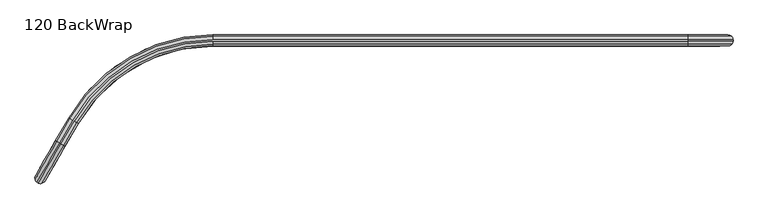
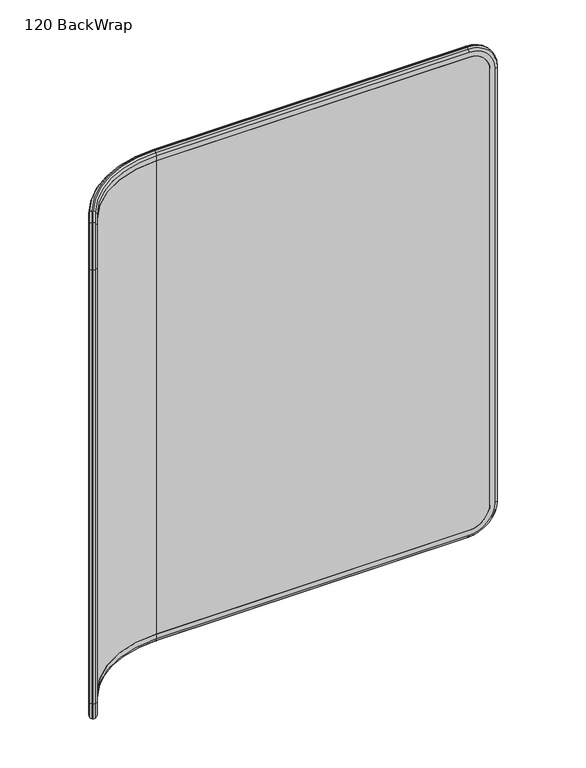
"""IFC4 building model written with IfcOpenShell, lengths in millimetres: furniture geometry, 120 BackWrap."""

from ifc_helpers import new_model, si_unit, point, frame, origin, place, context, project, spatial, polyline, circle_curve, ellipse_curve, trimmed, source, transform, mapped, element, save
from ifc_brep_helpers import plane_surface, cylinder_surface, revolved_surface, advanced_brep


def furniture_120_backwrap_9426e977(model_context):
    return source(origin(), model_context, "Body", "AdvancedBrep", [
        advanced_brep(
        [(1336.9030635, -19.0134443, 1436.2125677), (1253.5370658, -19.0134443, 1519.5785655), (1253.5370658, -21.9662095, 1512.0100357), (1329.3345337, -21.9662095, 1436.2125677), (1339.8970658, -12.8318012, 1436.2125677), (1253.5370658, -12.8318012, 1522.5725677), (1339.8970658, -10.0186178, 1436.2125677), (1253.5370658, -10.0186178, 1522.5725677), (1336.9030635, -3.8369747, 1436.2125677), (1253.5370658, -3.8369747, 1519.5785655), (1329.3345337, -0.8842095, 1436.2125677), (1253.5370658, -0.8842095, 1512.0100357), (1314.4970658, -21.9662095, 1436.2125677), (1253.5370658, -21.9662095, 1497.1725677), (1253.5370658, -0.8842095, 1497.1725677), (1314.4970658, -0.8842095, 1436.2125677), (1329.3345337, -21.9662095, 98.7747521), (1336.9030635, -19.0134443, 98.7747521), (1339.8970658, -12.8318012, 98.7747521), (1339.8970658, -10.0186178, 98.7747521), (1336.9030635, -3.8369747, 98.7747521), (1329.3345337, -0.8842095, 98.7747521), (1314.4970658, -0.8842095, 98.7747521), (1314.4970658, -21.9662095, 98.7747521), (1253.5370658, -19.0134443, 15.4087544), (1253.5370658, -21.9662095, 22.9772842), (1253.5370658, -12.8318012, 12.4147521), (1253.5370658, -10.0186178, 12.4147521), (1253.5370658, -3.8369747, 15.4087544), (1253.5370658, -0.8842095, 22.9772842), (1253.5370658, -21.9662095, 37.8147521), (1253.5370658, -0.8842095, 37.8147521), (341.1823889, -21.9662095, 22.9772842), (341.1823889, -19.0134443, 15.4087544), (341.1823889, -12.8318012, 12.4147521), (74.8064775, -166.6240054, 12.4147521), (49.477931, -210.4943349, 12.4147521), (47.0416427, -209.0877432, 12.4147521), (72.3701892, -165.2174137, 12.4147521), (341.1823889, -10.0186178, 12.4147521), (341.1823889, -3.8369747, 15.4087544), (341.1823889, -0.8842095, 22.9772842), (341.1823889, -0.8842095, 37.8147521), (64.4595596, -160.6502095, 37.8147521), (39.1310131, -204.520539, 37.8147521), (57.3885606, -215.061539, 37.8147521), (82.7171072, -171.1912095, 37.8147521), (341.1823889, -21.9662095, 37.8147521), (80.1599375, -169.7148269, 15.4087544), (82.7171072, -171.1912095, 22.9772842), (67.0167293, -162.1265921, 15.4087544), (64.4595596, -160.6502095, 22.9772842), (57.3885606, -215.061539, 22.9772842), (54.831391, -213.5851564, 15.4087544), (41.6881827, -205.9969216, 15.4087544), (39.1310131, -204.520539, 22.9772842), (1.2322791, -270.1630718, 98.7747521), (1.2322791, -270.1630718, 1436.2125677), (39.1310131, -204.520539, 1512.0100357), (64.4595596, -160.6502095, 1512.0100357), (64.4595596, -160.6502095, 1497.1725677), (39.1310131, -204.520539, 1497.1725677), (8.6510131, -257.3134476, 1436.2125677), (8.6510131, -257.3134476, 98.7747521), (26.9085606, -267.8544476, 98.7747521), (26.9085606, -267.8544476, 1436.2125677), (57.3885606, -215.061539, 1497.1725677), (82.7171072, -171.1912095, 1497.1725677), (82.7171072, -171.1912095, 1512.0100357), (57.3885606, -215.061539, 1512.0100357), (19.4898267, -280.7040718, 1436.2125677), (19.4898267, -280.7040718, 98.7747521), (13.1483921, -285.7822283, 98.7747521), (6.297931, -285.2842888, 98.7747521), (3.8616427, -283.877697, 98.7747521), (0.0051838, -278.1939935, 98.7747521), (13.1483921, -285.7822283, 1436.2125677), (6.297931, -285.2842888, 1436.2125677), (3.8616427, -283.877697, 1436.2125677), (0.0051838, -278.1939935, 1436.2125677), (54.831391, -213.5851564, 1519.5785655), (49.477931, -210.4943349, 1522.5725677), (47.0416427, -209.0877432, 1522.5725677), (41.6881827, -205.9969216, 1519.5785655), (80.1599375, -169.7148269, 1519.5785655), (74.8064775, -166.6240054, 1522.5725677), (341.1823889, -12.8318012, 1522.5725677), (341.1823889, -10.0186178, 1522.5725677), (72.3701892, -165.2174137, 1522.5725677), (67.0167293, -162.1265921, 1519.5785655), (341.1823889, -0.8842095, 1497.1725677), (341.1823889, -21.9662095, 1497.1725677), (341.1823889, -19.0134443, 1519.5785655), (341.1823889, -21.9662095, 1512.0100357), (341.1823889, -3.8369747, 1519.5785655), (341.1823889, -0.8842095, 1512.0100357)],
        [
            (0, 1, circle_curve(frame((1253.5370658, -19.0134443, 1436.2125677), z_axis=(0.0, -1.0, 0.0), x_axis=(0.0, 0.0, 1.0)), 83.3659977)),
            (1, 2, circle_curve(frame((1253.5370658, -10.7899964, 1512.0100357), z_axis=(1.0, 0.0, 0.0), x_axis=(0.0, 1.0, 0.0)), 11.1762131)),
            (2, 3, circle_curve(frame((1253.5370658, -21.9662095, 1436.2125677), z_axis=(0.0, 1.0, 0.0), x_axis=(0.0, 0.0, 1.0)), 75.7974679)),
            (3, 0, circle_curve(frame((1329.3345337, -10.7899964, 1436.2125677), z_axis=(0.0, 0.0, 1.0), x_axis=(0.0, 1.0, 0.0)), 11.1762131)),
            (4, 5, circle_curve(frame((1253.5370658, -12.8318012, 1436.2125677), z_axis=(0.0, -1.0, 0.0), x_axis=(0.0, 0.0, 1.0)), 86.36)),
            (5, 1, circle_curve(frame((1253.5370658, -12.1285054, 1513.2419454), z_axis=(1.0, 0.0, 0.0), x_axis=(0.0, 1.0, 0.0)), 9.3570903)),
            (0, 4, circle_curve(frame((1330.5664434, -12.1285054, 1436.2125677), z_axis=(0.0, 0.0, 1.0), x_axis=(0.0, 1.0, 0.0)), 9.3570903)),
            (6, 7, circle_curve(frame((1253.5370658, -10.0186178, 1436.2125677), z_axis=(0.0, -1.0, 0.0), x_axis=(0.0, 0.0, 1.0)), 86.36)),
            (7, 5),
            (4, 6),
            (8, 9, circle_curve(frame((1253.5370658, -3.8369747, 1436.2125677), z_axis=(0.0, -1.0, 0.0), x_axis=(0.0, 0.0, 1.0)), 83.3659977)),
            (9, 7, circle_curve(frame((1253.5370658, -10.7219137, 1513.2419454), z_axis=(1.0, 0.0, 0.0), x_axis=(0.0, -1.0, 0.0)), 9.3570903)),
            (6, 8, circle_curve(frame((1330.5664434, -10.7219137, 1436.2125677), z_axis=(0.0, 0.0, 1.0), x_axis=(0.0, -1.0, 0.0)), 9.3570903)),
            (10, 11, circle_curve(frame((1253.5370658, -0.8842095, 1436.2125677), z_axis=(0.0, -1.0, 0.0), x_axis=(0.0, 0.0, 1.0)), 75.7974679)),
            (11, 9, circle_curve(frame((1253.5370658, -12.0604226, 1512.0100357), z_axis=(1.0, 0.0, 0.0), x_axis=(0.0, -1.0, 0.0)), 11.1762131)),
            (8, 10, circle_curve(frame((1329.3345337, -12.0604226, 1436.2125677), z_axis=(0.0, 0.0, 1.0), x_axis=(0.0, -1.0, 0.0)), 11.1762131)),
            (12, 13, circle_curve(frame((1253.5370658, -21.9662095, 1436.2125677), z_axis=(0.0, -1.0, 0.0), x_axis=(0.0, 0.0, 1.0)), 60.96)),
            (13, 14),
            (14, 15, circle_curve(frame((1253.5370658, -0.8842095, 1436.2125677), z_axis=(0.0, 1.0, 0.0), x_axis=(0.0, 0.0, 1.0)), 60.96)),
            (15, 12),
            (3, 16),
            (16, 17, circle_curve(frame((1329.3345337, -10.7899964, 98.7747521), z_axis=(0.0, 0.0, 1.0), x_axis=(0.0, 1.0, 0.0)), 11.1762131)),
            (17, 0),
            (17, 18, circle_curve(frame((1330.5664434, -12.1285054, 98.7747521), z_axis=(0.0, 0.0, 1.0), x_axis=(0.0, 1.0, 0.0)), 9.3570903)),
            (18, 4),
            (18, 19),
            (19, 6),
            (19, 20, circle_curve(frame((1330.5664434, -10.7219137, 98.7747521), z_axis=(0.0, 0.0, 1.0), x_axis=(0.0, -1.0, 0.0)), 9.3570903)),
            (20, 8),
            (20, 21, circle_curve(frame((1329.3345337, -12.0604226, 98.7747521), z_axis=(0.0, 0.0, 1.0), x_axis=(0.0, -1.0, 0.0)), 11.1762131)),
            (21, 10),
            (15, 22),
            (22, 23),
            (23, 12),
            (24, 17, circle_curve(frame((1253.5370658, -19.0134443, 98.7747521), z_axis=(0.0, -1.0, 0.0), x_axis=(1.0, 0.0, 0.0)), 83.3659977)),
            (16, 25, circle_curve(frame((1253.5370658, -21.9662095, 98.7747521), z_axis=(0.0, 1.0, 0.0), x_axis=(1.0, 0.0, 0.0)), 75.7974679)),
            (25, 24, circle_curve(frame((1253.5370658, -10.7899964, 22.9772842), z_axis=(1.0, 0.0, 0.0), x_axis=(0.0, 1.0, 0.0)), 11.1762131)),
            (26, 18, circle_curve(frame((1253.5370658, -12.8318012, 98.7747521), z_axis=(0.0, -1.0, 0.0), x_axis=(1.0, 0.0, 0.0)), 86.36)),
            (24, 26, circle_curve(frame((1253.5370658, -12.1285054, 21.7453745), z_axis=(1.0, 0.0, 0.0), x_axis=(0.0, 1.0, 0.0)), 9.3570903)),
            (27, 19, circle_curve(frame((1253.5370658, -10.0186178, 98.7747521), z_axis=(0.0, -1.0, 0.0), x_axis=(1.0, 0.0, 0.0)), 86.36)),
            (26, 27),
            (28, 20, circle_curve(frame((1253.5370658, -3.8369747, 98.7747521), z_axis=(0.0, -1.0, 0.0), x_axis=(1.0, 0.0, 0.0)), 83.3659977)),
            (27, 28, circle_curve(frame((1253.5370658, -10.7219137, 21.7453745), z_axis=(1.0, 0.0, 0.0), x_axis=(0.0, -1.0, 0.0)), 9.3570903)),
            (29, 21, circle_curve(frame((1253.5370658, -0.8842095, 98.7747521), z_axis=(0.0, -1.0, 0.0), x_axis=(1.0, 0.0, 0.0)), 75.7974679)),
            (28, 29, circle_curve(frame((1253.5370658, -12.0604226, 22.9772842), z_axis=(1.0, 0.0, 0.0), x_axis=(0.0, -1.0, 0.0)), 11.1762131)),
            (30, 23, circle_curve(frame((1253.5370658, -21.9662095, 98.7747521), z_axis=(0.0, -1.0, 0.0), x_axis=(1.0, 0.0, 0.0)), 60.96)),
            (22, 31, circle_curve(frame((1253.5370658, -0.8842095, 98.7747521), z_axis=(0.0, 1.0, 0.0), x_axis=(1.0, 0.0, 0.0)), 60.96)),
            (31, 30),
            (25, 32),
            (32, 33, circle_curve(frame((341.1823889, -10.7899964, 22.9772842), z_axis=(1.0, 0.0, 0.0), x_axis=(0.0, 1.0, 0.0)), 11.1762131)),
            (33, 24),
            (33, 34, circle_curve(frame((341.1823889, -12.1285054, 21.7453745), z_axis=(1.0, 0.0, 0.0), x_axis=(0.0, 1.0, 0.0)), 9.3570903)),
            (34, 26),
            (34, 35, circle_curve(frame((341.1823889, -320.4162095, 12.4147521), z_axis=(0.0, 0.0, 1.0), x_axis=(0.0, 1.0, 0.0)), 307.5844083)),
            (35, 36),
            (36, 37),
            (37, 38),
            (38, 39, circle_curve(frame((341.1823889, -320.4162095, 12.4147521), z_axis=(0.0, 0.0, -1.0), x_axis=(0.0, 1.0, 0.0)), 310.3975917)),
            (39, 27),
            (39, 40, circle_curve(frame((341.1823889, -10.7219137, 21.7453745), z_axis=(1.0, 0.0, 0.0), x_axis=(0.0, -1.0, 0.0)), 9.3570903)),
            (40, 28),
            (40, 41, circle_curve(frame((341.1823889, -12.0604226, 22.9772842), z_axis=(1.0, 0.0, 0.0), x_axis=(0.0, -1.0, 0.0)), 11.1762131)),
            (41, 29),
            (31, 42),
            (42, 43, circle_curve(frame((341.1823889, -320.4162095, 37.8147521), z_axis=(0.0, 0.0, 1.0), x_axis=(0.0, 1.0, 0.0)), 319.532)),
            (43, 44),
            (44, 45),
            (45, 46),
            (46, 47, circle_curve(frame((341.1823889, -320.4162095, 37.8147521), z_axis=(0.0, 0.0, -1.0), x_axis=(0.0, 1.0, 0.0)), 298.45)),
            (47, 30),
            (48, 33, circle_curve(frame((341.1823889, -320.4162095, 15.4087544), z_axis=(0.0, 0.0, -1.0), x_axis=(0.0, 1.0, 0.0)), 301.4027652)),
            (32, 49, circle_curve(frame((341.1823889, -320.4162095, 22.9772842), z_axis=(0.0, 0.0, 1.0), x_axis=(0.0, 1.0, 0.0)), 298.45)),
            (49, 48, circle_curve(frame((73.0382227, -165.6031029, 22.9772842), z_axis=(0.5000000000000001, 0.8660254037844386, 0.0), x_axis=(-0.8660254037844386, 0.5000000000000001, 0.0)), 11.1762131)),
            (48, 35, circle_curve(frame((74.1974055, -166.2723574, 21.7453745), z_axis=(0.5000000000000001, 0.8660254037844386, 0.0), x_axis=(-0.8660254037844386, 0.5000000000000001, 0.0)), 9.3570903)),
            (50, 40, circle_curve(frame((341.1823889, -320.4162095, 15.4087544), z_axis=(0.0, 0.0, -1.0), x_axis=(0.0, 1.0, 0.0)), 316.5792348)),
            (38, 50, circle_curve(frame((72.9792613, -165.5690616, 21.7453745), z_axis=(0.49999999999999484, 0.8660254037844417, 0.0), x_axis=(0.8660254037844417, -0.49999999999999484, 0.0)), 9.3570903)),
            (51, 41, circle_curve(frame((341.1823889, -320.4162095, 22.9772842), z_axis=(0.0, 0.0, -1.0), x_axis=(0.0, 1.0, 0.0)), 319.532)),
            (50, 51, circle_curve(frame((74.1384441, -166.2383161, 22.9772842), z_axis=(0.49999999999999506, 0.8660254037844416, 0.0), x_axis=(0.8660254037844416, -0.49999999999999506, 0.0)), 11.1762131)),
            (42, 41),
            (51, 43),
            (32, 47),
            (46, 49),
            (49, 52),
            (52, 53, circle_curve(frame((47.7096761, -209.4734325, 22.9772842), z_axis=(0.500000000000006, 0.8660254037844353, 0.0), x_axis=(-0.8660254037844353, 0.500000000000006, 0.0)), 11.1762131)),
            (53, 48),
            (53, 36, circle_curve(frame((48.8688589, -210.142687, 21.7453745), z_axis=(0.500000000000006, 0.8660254037844353, 0.0), x_axis=(-0.8660254037844353, 0.500000000000006, 0.0)), 9.3570903)),
            (37, 54, circle_curve(frame((47.6507148, -209.4393911, 21.7453745), z_axis=(0.5000000000000009, 0.8660254037844382, 0.0), x_axis=(0.8660254037844382, -0.5000000000000009, 0.0)), 9.3570903)),
            (54, 50),
            (54, 55, circle_curve(frame((48.8098976, -210.1086456, 22.9772842), z_axis=(0.5000000000000009, 0.8660254037844382, 0.0), x_axis=(0.8660254037844382, -0.5000000000000009, 0.0)), 11.1762131)),
            (55, 51),
            (55, 56, circle_curve(frame((39.1310131, -204.520539, 98.7747521), z_axis=(-0.8660254037844384, 0.5000000000000006, 0.0), x_axis=(0.0, 0.0, -1.0)), 75.7974679)),
            (56, 57),
            (57, 58, circle_curve(frame((39.1310131, -204.520539, 1436.2125677), z_axis=(-0.8660254037844384, 0.5000000000000006, 0.0), x_axis=(-0.5000000000000006, -0.8660254037844384, 0.0)), 75.7974679)),
            (58, 59),
            (59, 60),
            (60, 61),
            (61, 62, circle_curve(frame((39.1310131, -204.520539, 1436.2125677), z_axis=(0.8660254037844384, -0.5000000000000006, 0.0), x_axis=(-0.5000000000000006, -0.8660254037844384, 0.0)), 60.96)),
            (62, 63),
            (63, 44, circle_curve(frame((39.1310131, -204.520539, 98.7747521), z_axis=(0.8660254037844384, -0.5000000000000006, 0.0), x_axis=(0.0, 0.0, -1.0)), 60.96)),
            (45, 64, circle_curve(frame((57.3885606, -215.061539, 98.7747521), z_axis=(-0.8660254037844384, 0.5000000000000006, 0.0), x_axis=(0.0, 0.0, -1.0)), 60.96)),
            (64, 65),
            (65, 66, circle_curve(frame((57.3885606, -215.061539, 1436.2125677), z_axis=(-0.8660254037844384, 0.5000000000000006, 0.0), x_axis=(-0.5000000000000006, -0.8660254037844384, 0.0)), 60.96)),
            (66, 67),
            (67, 68),
            (68, 69),
            (69, 70, circle_curve(frame((57.3885606, -215.061539, 1436.2125677), z_axis=(0.8660254037844384, -0.5000000000000006, 0.0), x_axis=(-0.5000000000000006, -0.8660254037844384, 0.0)), 75.7974679)),
            (70, 71),
            (71, 52, circle_curve(frame((57.3885606, -215.061539, 98.7747521), z_axis=(0.8660254037844384, -0.5000000000000006, 0.0), x_axis=(0.0, 0.0, -1.0)), 75.7974679)),
            (72, 53, circle_curve(frame((54.831391, -213.5851564, 98.7747521), z_axis=(0.8660254037844384, -0.5000000000000006, 0.0), x_axis=(0.0, 0.0, -1.0)), 83.3659977)),
            (71, 72, circle_curve(frame((9.8109422, -275.1159652, 98.7747521), z_axis=(0.0, 0.0, -1.0), x_axis=(-0.8660254037844384, 0.5000000000000006, 0.0)), 11.1762131)),
            (73, 36, circle_curve(frame((49.477931, -210.4943349, 98.7747521), z_axis=(0.8660254037844384, -0.5000000000000006, 0.0), x_axis=(0.0, 0.0, -1.0)), 86.36)),
            (72, 73, circle_curve(frame((10.3541701, -276.8520848, 98.7747521), z_axis=(0.0, 0.0, -1.0), x_axis=(-0.8660254037844384, 0.5000000000000006, 0.0)), 9.3570903)),
            (74, 37, circle_curve(frame((47.0416427, -209.0877432, 98.7747521), z_axis=(0.8660254037844384, -0.5000000000000006, 0.0), x_axis=(0.0, 0.0, -1.0)), 86.36)),
            (73, 74),
            (75, 54, circle_curve(frame((41.6881827, -205.9969216, 98.7747521), z_axis=(0.8660254037844384, -0.5000000000000006, 0.0), x_axis=(0.0, 0.0, -1.0)), 83.3659977)),
            (74, 75, circle_curve(frame((9.136026, -276.1487889, 98.7747521), z_axis=(0.0, 0.0, -1.0), x_axis=(0.8660254037844384, -0.5000000000000006, 0.0)), 9.3570903)),
            (75, 56, circle_curve(frame((10.9111636, -275.7511784, 98.7747521), z_axis=(0.0, 0.0, -1.0), x_axis=(0.8660254037844384, -0.5000000000000006, 0.0)), 11.1762131)),
            (63, 64),
            (70, 76, circle_curve(frame((9.8109422, -275.1159652, 1436.2125677), z_axis=(0.0, 0.0, -1.0), x_axis=(-0.8660254037844384, 0.5000000000000007, 0.0)), 11.1762131)),
            (76, 72),
            (76, 77, circle_curve(frame((10.3541701, -276.8520848, 1436.2125677), z_axis=(0.0, 0.0, -1.0), x_axis=(-0.8660254037844384, 0.5000000000000007, 0.0)), 9.3570903)),
            (77, 73),
            (77, 78),
            (78, 74),
            (78, 79, circle_curve(frame((9.136026, -276.1487889, 1436.2125677), z_axis=(0.0, 0.0, -1.0), x_axis=(0.8660254037844383, -0.5000000000000006, 0.0)), 9.3570903)),
            (79, 75),
            (79, 57, circle_curve(frame((10.9111636, -275.7511784, 1436.2125677), z_axis=(0.0, 0.0, -1.0), x_axis=(0.8660254037844383, -0.5000000000000006, 0.0)), 11.1762131)),
            (62, 65),
            (80, 76, circle_curve(frame((54.831391, -213.5851564, 1436.2125677), z_axis=(0.8660254037844384, -0.5000000000000006, 0.0), x_axis=(-0.5000000000000006, -0.8660254037844384, 0.0)), 83.3659977)),
            (69, 80, circle_curve(frame((47.7096761, -209.4734325, 1512.0100357), z_axis=(-0.4999999999999959, -0.866025403784441, 0.0), x_axis=(-0.866025403784441, 0.4999999999999959, 0.0)), 11.1762131)),
            (81, 77, circle_curve(frame((49.477931, -210.4943349, 1436.2125677), z_axis=(0.8660254037844384, -0.5000000000000006, 0.0), x_axis=(-0.5000000000000006, -0.8660254037844384, 0.0)), 86.36)),
            (80, 81, circle_curve(frame((48.8688589, -210.142687, 1513.2419454), z_axis=(-0.4999999999999959, -0.866025403784441, 0.0), x_axis=(-0.866025403784441, 0.4999999999999959, 0.0)), 9.3570903)),
            (82, 78, circle_curve(frame((47.0416427, -209.0877432, 1436.2125677), z_axis=(0.8660254037844384, -0.5000000000000006, 0.0), x_axis=(-0.5000000000000006, -0.8660254037844384, 0.0)), 86.36)),
            (81, 82),
            (83, 79, circle_curve(frame((41.6881827, -205.9969216, 1436.2125677), z_axis=(0.8660254037844384, -0.5000000000000006, 0.0), x_axis=(-0.5000000000000006, -0.8660254037844384, 0.0)), 83.3659977)),
            (82, 83, circle_curve(frame((47.6507148, -209.4393911, 1513.2419454), z_axis=(-0.5000000000000009, -0.8660254037844382, 0.0), x_axis=(0.8660254037844382, -0.5000000000000009, 0.0)), 9.3570903)),
            (83, 58, circle_curve(frame((48.8098976, -210.1086456, 1512.0100357), z_axis=(-0.5000000000000009, -0.8660254037844382, 0.0), x_axis=(0.8660254037844382, -0.5000000000000009, 0.0)), 11.1762131)),
            (61, 66),
            (68, 84, circle_curve(frame((73.0382227, -165.6031029, 1512.0100357), z_axis=(-0.4999999999999958, -0.8660254037844413, 0.0), x_axis=(-0.866025403784441, 0.49999999999999567, 0.0)), 11.1762131)),
            (84, 80),
            (84, 85, circle_curve(frame((74.1974055, -166.2723574, 1513.2419454), z_axis=(-0.4999999999999958, -0.8660254037844413, 0.0), x_axis=(-0.866025403784441, 0.49999999999999567, 0.0)), 9.3570903)),
            (85, 81),
            (85, 86, circle_curve(frame((341.1823889, -320.4162095, 1522.5725677), z_axis=(0.0, 0.0, -1.0), x_axis=(-0.866025403784445, 0.49999999999998895, 0.0)), 307.5844083)),
            (86, 5),
            (7, 87),
            (87, 88, circle_curve(frame((341.1823889, -320.4162095, 1522.5725677), z_axis=(0.0, 0.0, 1.0), x_axis=(-0.866025403784445, 0.49999999999998895, 0.0)), 310.3975917)),
            (88, 82),
            (88, 89, circle_curve(frame((72.9792613, -165.5690616, 1513.2419454), z_axis=(-0.5000000000000008, -0.8660254037844384, 0.0), x_axis=(0.8660254037844382, -0.5000000000000007, 0.0)), 9.3570903)),
            (89, 83),
            (89, 59, circle_curve(frame((74.1384441, -166.2383161, 1512.0100357), z_axis=(-0.5000000000000008, -0.8660254037844384, 0.0), x_axis=(0.8660254037844382, -0.5000000000000007, 0.0)), 11.1762131)),
            (60, 90, circle_curve(frame((341.1823889, -320.4162095, 1497.1725677), z_axis=(0.0, 0.0, -1.0), x_axis=(-0.866025403784445, 0.49999999999998895, 0.0)), 319.532)),
            (90, 14),
            (13, 91),
            (91, 67, circle_curve(frame((341.1823889, -320.4162095, 1497.1725677), z_axis=(0.0, 0.0, 1.0), x_axis=(-0.866025403784445, 0.49999999999998895, 0.0)), 298.45)),
            (92, 84, circle_curve(frame((341.1823889, -320.4162095, 1519.5785655), z_axis=(0.0, 0.0, 1.0), x_axis=(-0.866025403784445, 0.49999999999998895, 0.0)), 301.4027652)),
            (68, 93, circle_curve(frame((341.1823889, -320.4162095, 1512.0100357), z_axis=(0.0, 0.0, -1.0), x_axis=(-0.866025403784445, 0.49999999999998895, 0.0)), 298.45)),
            (93, 92, circle_curve(frame((341.1823889, -10.7899964, 1512.0100357), z_axis=(-1.0, 0.0, 0.0), x_axis=(0.0, 1.0, 0.0)), 11.1762131)),
            (92, 86, circle_curve(frame((341.1823889, -12.1285054, 1513.2419454), z_axis=(-1.0, 0.0, 0.0), x_axis=(0.0, 1.0, 0.0)), 9.3570903)),
            (94, 89, circle_curve(frame((341.1823889, -320.4162095, 1519.5785655), z_axis=(0.0, 0.0, 1.0), x_axis=(-0.866025403784445, 0.49999999999998895, 0.0)), 316.5792348)),
            (87, 94, circle_curve(frame((341.1823889, -10.7219137, 1513.2419454), z_axis=(-1.0, 0.0, 0.0), x_axis=(0.0, -1.0, 0.0)), 9.3570903)),
            (95, 59, circle_curve(frame((341.1823889, -320.4162095, 1512.0100357), z_axis=(0.0, 0.0, 1.0), x_axis=(-0.866025403784445, 0.49999999999998895, 0.0)), 319.532)),
            (94, 95, circle_curve(frame((341.1823889, -12.0604226, 1512.0100357), z_axis=(-1.0, 0.0, 0.0), x_axis=(0.0, -1.0, 0.0)), 11.1762131)),
            (95, 90),
            (91, 93),
            (93, 2),
            (1, 92),
            (9, 94),
            (11, 95),
        ],
        [
            revolved_surface(trimmed(ellipse_curve(frame((1253.5370658, -10.7899964, 1512.0100357), z_axis=(-1.0, 0.0, 0.0), x_axis=(0.0, 1.0, 0.0)), 11.1762131, 11.1762131), [point((1253.5370658, -21.9662095, 1512.0100357))], [point((1253.5370658, -19.0134443, 1519.5785655))], True, "CARTESIAN"), (1253.5370658, -21.9662095, 1436.2125677), (0.0, 1.0, 0.0)),
            revolved_surface(trimmed(ellipse_curve(frame((1253.5370658, -12.1285054, 1513.2419454), z_axis=(-1.0, 0.0, 0.0), x_axis=(0.0, 1.0, 0.0)), 9.3570903, 9.3570903), [point((1253.5370658, -19.0134443, 1519.5785655))], [point((1253.5370658, -12.8318012, 1522.5725677))], True, "CARTESIAN"), (1253.5370658, -21.9662095, 1436.2125677), (0.0, 1.0, 0.0)),
            cylinder_surface(frame((1253.5370658, -21.9662095, 1436.2125677), z_axis=(0.0, 1.0, 0.0), x_axis=(0.0, 0.0, 1.0)), 86.36),
            revolved_surface(trimmed(ellipse_curve(frame((1253.5370658, -10.7219137, 1513.2419454), z_axis=(-1.0, 0.0, 0.0), x_axis=(0.0, -1.0, 0.0)), 9.3570903, 9.3570903), [point((1253.5370658, -10.0186178, 1522.5725677))], [point((1253.5370658, -3.8369747, 1519.5785655))], True, "CARTESIAN"), (1253.5370658, -21.9662095, 1436.2125677), (0.0, 1.0, 0.0)),
            revolved_surface(trimmed(ellipse_curve(frame((1253.5370658, -12.0604226, 1512.0100357), z_axis=(-1.0, 0.0, 0.0), x_axis=(0.0, -1.0, 0.0)), 11.1762131, 11.1762131), [point((1253.5370658, -3.8369747, 1519.5785655))], [point((1253.5370658, -0.8842095, 1512.0100357))], True, "CARTESIAN"), (1253.5370658, -21.9662095, 1436.2125677), (0.0, 1.0, 0.0)),
            revolved_surface(polyline([(1253.5370658, -0.8842095000000008, 1497.1725677), (1253.5370658, -21.9662095, 1497.1725677)]), (1253.5370658, -21.9662095, 1436.2125677), (0.0, 1.0, 0.0)),
            cylinder_surface(frame((1329.3345337, -10.7899964, 1436.2125677), z_axis=(0.0, 0.0, 1.0), x_axis=(0.0, 1.0, 0.0)), 11.1762131),
            cylinder_surface(frame((1330.5664434, -12.1285054, 1436.2125677), z_axis=(0.0, 0.0, 1.0), x_axis=(0.0, 1.0, 0.0)), 9.3570903),
            plane_surface(frame((1339.8970658, -12.8318012, 1436.2125677), z_axis=(1.0, 0.0, 0.0), x_axis=(0.0, 0.0, -1.0))),
            cylinder_surface(frame((1330.5664434, -10.7219137, 1436.2125677), z_axis=(0.0, 0.0, 1.0), x_axis=(0.0, -1.0, 0.0)), 9.3570903),
            cylinder_surface(frame((1329.3345337, -12.0604226, 1436.2125677), z_axis=(0.0, 0.0, 1.0), x_axis=(0.0, -1.0, 0.0)), 11.1762131),
            plane_surface(frame((1314.4970658, -0.8842095, 1436.2125677), z_axis=(-1.0, 0.0, 0.0), x_axis=(0.0, 0.0, -1.0))),
            revolved_surface(trimmed(ellipse_curve(frame((1329.3345337, -10.7899964, 98.7747521), z_axis=(0.0, 0.0, 1.0), x_axis=(0.0, 1.0, 0.0)), 11.1762131, 11.1762131), [point((1329.3345337, -21.9662095, 98.7747521))], [point((1336.9030635, -19.0134443, 98.7747521))], True, "CARTESIAN"), (1253.5370658, -21.9662095, 98.7747521), (0.0, 1.0, 0.0)),
            revolved_surface(trimmed(ellipse_curve(frame((1330.5664434, -12.1285054, 98.7747521), z_axis=(0.0, 0.0, 1.0), x_axis=(0.0, 1.0, 0.0)), 9.3570903, 9.3570903), [point((1336.9030635, -19.0134443, 98.7747521))], [point((1339.8970658, -12.8318012, 98.7747521))], True, "CARTESIAN"), (1253.5370658, -21.9662095, 98.7747521), (0.0, 1.0, 0.0)),
            cylinder_surface(frame((1253.5370658, -21.9662095, 98.7747521), z_axis=(0.0, 1.0, 0.0), x_axis=(1.0, 0.0, 0.0)), 86.36),
            revolved_surface(trimmed(ellipse_curve(frame((1330.5664434, -10.7219137, 98.7747521), z_axis=(0.0, 0.0, 1.0), x_axis=(0.0, -1.0, 0.0)), 9.3570903, 9.3570903), [point((1339.8970658, -10.0186178, 98.7747521))], [point((1336.9030635, -3.8369747, 98.7747521))], True, "CARTESIAN"), (1253.5370658, -21.9662095, 98.7747521), (0.0, 1.0, 0.0)),
            revolved_surface(trimmed(ellipse_curve(frame((1329.3345337, -12.0604226, 98.7747521), z_axis=(0.0, 0.0, 1.0), x_axis=(0.0, -1.0, 0.0)), 11.1762131, 11.1762131), [point((1336.9030635, -3.8369747, 98.7747521))], [point((1329.3345337, -0.8842095, 98.7747521))], True, "CARTESIAN"), (1253.5370658, -21.9662095, 98.7747521), (0.0, 1.0, 0.0)),
            revolved_surface(polyline([(1314.4970658, -0.8842095000000008, 98.7747521), (1314.4970658, -21.9662095, 98.7747521)]), (1253.5370658, -21.9662095, 98.7747521), (0.0, 1.0, 0.0)),
            cylinder_surface(frame((1253.5370658, -10.7899964, 22.9772842), z_axis=(1.0, 0.0, 0.0), x_axis=(0.0, 1.0, 0.0)), 11.1762131),
            cylinder_surface(frame((1253.5370658, -12.1285054, 21.7453745), z_axis=(1.0, 0.0, 0.0), x_axis=(0.0, 1.0, 0.0)), 9.3570903),
            plane_surface(frame((1253.5370658, -12.8318012, 12.4147521), z_axis=(0.0, 0.0, -1.0), x_axis=(-1.0, 0.0, 0.0))),
            cylinder_surface(frame((1253.5370658, -10.7219137, 21.7453745), z_axis=(1.0, 0.0, 0.0), x_axis=(0.0, -1.0, 0.0)), 9.3570903),
            cylinder_surface(frame((1253.5370658, -12.0604226, 22.9772842), z_axis=(1.0, 0.0, 0.0), x_axis=(0.0, -1.0, 0.0)), 11.1762131),
            plane_surface(frame((1253.5370658, -0.8842095, 37.8147521), z_axis=(0.0, 0.0, 1.0), x_axis=(-1.0, 0.0, 0.0))),
            revolved_surface(trimmed(ellipse_curve(frame((341.1823889, -10.7899964, 22.9772842), z_axis=(1.0, 0.0, 0.0), x_axis=(0.0, 1.0, 0.0)), 11.1762131, 11.1762131), [point((341.1823889, -21.9662095, 22.9772842))], [point((341.1823889, -19.0134443, 15.4087544))], True, "CARTESIAN"), (341.1823889, -320.4162095, 37.8147521), (0.0, 0.0, 1.0)),
            revolved_surface(trimmed(ellipse_curve(frame((341.1823889, -12.1285054, 21.7453745), z_axis=(1.0, 0.0, 0.0), x_axis=(0.0, 1.0, 0.0)), 9.3570903, 9.3570903), [point((341.1823889, -19.0134443, 15.4087544))], [point((341.1823889, -12.8318012, 12.4147521))], True, "CARTESIAN"), (341.1823889, -320.4162095, 37.8147521), (0.0, 0.0, 1.0)),
            revolved_surface(trimmed(ellipse_curve(frame((341.1823889, -10.7219137, 21.7453745), z_axis=(1.0, 0.0, 0.0), x_axis=(0.0, -1.0, 0.0)), 9.3570903, 9.3570903), [point((341.1823889, -10.0186178, 12.4147521))], [point((341.1823889, -3.8369747, 15.4087544))], True, "CARTESIAN"), (341.1823889, -320.4162095, 37.8147521), (0.0, 0.0, 1.0)),
            revolved_surface(trimmed(ellipse_curve(frame((341.1823889, -12.0604226, 22.9772842), z_axis=(1.0, 0.0, 0.0), x_axis=(0.0, -1.0, 0.0)), 11.1762131, 11.1762131), [point((341.1823889, -3.8369747, 15.4087544))], [point((341.1823889, -0.8842095, 22.9772842))], True, "CARTESIAN"), (341.1823889, -320.4162095, 37.8147521), (0.0, 0.0, 1.0)),
            cylinder_surface(frame((341.1823889, -320.4162095, 37.8147521), z_axis=(0.0, 0.0, 1.0), x_axis=(0.0, 1.0, 0.0)), 319.532),
            revolved_surface(polyline([(341.1823889, -21.96620949999999, 37.8147521), (341.1823889, -21.96620949999999, 22.9772842)]), (341.1823889, -320.4162095, 37.8147521), (0.0, 0.0, 1.0)),
            cylinder_surface(frame((73.0382227, -165.6031029, 22.9772842), z_axis=(0.500000000000006, 0.8660254037844353, 0.0), x_axis=(-0.8660254037844353, 0.500000000000006, 0.0)), 11.1762131),
            cylinder_surface(frame((74.1974055, -166.2723574, 21.7453745), z_axis=(0.500000000000006, 0.8660254037844353, 0.0), x_axis=(-0.8660254037844353, 0.500000000000006, 0.0)), 9.3570903),
            cylinder_surface(frame((72.9792613, -165.5690616, 21.7453745), z_axis=(0.5000000000000009, 0.8660254037844382, 0.0), x_axis=(0.8660254037844382, -0.5000000000000009, 0.0)), 9.3570903),
            cylinder_surface(frame((74.1384441, -166.2383161, 22.9772842), z_axis=(0.5000000000000009, 0.8660254037844382, 0.0), x_axis=(0.8660254037844382, -0.5000000000000009, 0.0)), 11.1762131),
            plane_surface(frame((64.4595596, -160.6502095, 22.9772842), z_axis=(-0.8660254037844378, 0.5000000000000016, 0.0), x_axis=(-0.5000000000000016, -0.8660254037844378, 0.0))),
            plane_surface(frame((82.7171072, -171.1912095, 37.8147521), z_axis=(0.8660254037844378, -0.5000000000000017, 0.0), x_axis=(-0.5000000000000017, -0.8660254037844378, 0.0))),
            revolved_surface(trimmed(ellipse_curve(frame((47.7096761, -209.4734325, 22.9772842), z_axis=(0.5000000000000052, 0.8660254037844356, 0.0), x_axis=(-0.8660254037844356, 0.5000000000000052, 0.0)), 11.1762131, 11.1762131), [point((57.3885606, -215.061539, 22.9772842))], [point((54.831391, -213.5851564, 15.4087544))], True, "CARTESIAN"), (57.3885606, -215.061539, 98.7747521), (-0.8660254037844384, 0.5000000000000006, 0.0)),
            revolved_surface(trimmed(ellipse_curve(frame((48.8688589, -210.142687, 21.7453745), z_axis=(0.5000000000000052, 0.8660254037844356, 0.0), x_axis=(-0.8660254037844356, 0.5000000000000052, 0.0)), 9.3570903, 9.3570903), [point((54.831391, -213.5851564, 15.4087544))], [point((49.477931, -210.4943349, 12.4147521))], True, "CARTESIAN"), (57.3885606, -215.061539, 98.7747521), (-0.8660254037844384, 0.5000000000000006, 0.0)),
            cylinder_surface(frame((57.3885606, -215.061539, 98.7747521), z_axis=(-0.8660254037844384, 0.5000000000000006, 0.0), x_axis=(0.0, 0.0, -1.0)), 86.36),
            revolved_surface(trimmed(ellipse_curve(frame((47.6507148, -209.4393911, 21.7453745), z_axis=(0.5000000000000002, 0.8660254037844386, 0.0), x_axis=(0.8660254037844386, -0.5000000000000002, 0.0)), 9.3570903, 9.3570903), [point((47.0416427, -209.0877432, 12.4147521))], [point((41.6881827, -205.9969216, 15.4087544))], True, "CARTESIAN"), (57.3885606, -215.061539, 98.7747521), (-0.8660254037844384, 0.5000000000000006, 0.0)),
            revolved_surface(trimmed(ellipse_curve(frame((48.8098976, -210.1086456, 22.9772842), z_axis=(0.5000000000000002, 0.8660254037844386, 0.0), x_axis=(0.8660254037844386, -0.5000000000000002, 0.0)), 11.1762131, 11.1762131), [point((41.6881827, -205.9969216, 15.4087544))], [point((39.1310131, -204.520539, 22.9772842))], True, "CARTESIAN"), (57.3885606, -215.061539, 98.7747521), (-0.8660254037844384, 0.5000000000000006, 0.0)),
            revolved_surface(polyline([(39.13101307798914, -204.52053902342465, 37.8147521), (57.3885606, -215.061539, 37.8147521)]), (57.3885606, -215.061539, 98.7747521), (-0.8660254037844384, 0.5000000000000006, 0.0)),
            cylinder_surface(frame((9.8109422, -275.1159652, 98.7747521), z_axis=(0.0, 0.0, -1.0), x_axis=(-0.8660254037844384, 0.5000000000000007, 0.0)), 11.1762131),
            cylinder_surface(frame((10.3541701, -276.8520848, 98.7747521), z_axis=(0.0, 0.0, -1.0), x_axis=(-0.8660254037844384, 0.5000000000000007, 0.0)), 9.3570903),
            plane_surface(frame((6.297931, -285.2842888, 98.7747521), z_axis=(-0.5000000000000006, -0.8660254037844385, 0.0), x_axis=(0.0, 0.0, 1.0))),
            cylinder_surface(frame((9.136026, -276.1487889, 98.7747521), z_axis=(0.0, 0.0, -1.0), x_axis=(0.8660254037844383, -0.5000000000000006, 0.0)), 9.3570903),
            cylinder_surface(frame((10.9111636, -275.7511784, 98.7747521), z_axis=(0.0, 0.0, -1.0), x_axis=(0.8660254037844383, -0.5000000000000006, 0.0)), 11.1762131),
            plane_surface(frame((8.6510131, -257.3134476, 98.7747521), z_axis=(0.5000000000000007, 0.8660254037844384, 0.0), x_axis=(0.0, 0.0, 1.0))),
            revolved_surface(trimmed(ellipse_curve(frame((9.8109422, -275.1159652, 1436.2125677), z_axis=(0.0, 0.0, -1.0), x_axis=(-0.8660254037844384, 0.5000000000000006, 0.0)), 11.1762131, 11.1762131), [point((19.4898267, -280.7040718, 1436.2125677))], [point((13.1483921, -285.7822283, 1436.2125677))], True, "CARTESIAN"), (57.3885606, -215.061539, 1436.2125677), (-0.8660254037844384, 0.5000000000000006, 0.0)),
            revolved_surface(trimmed(ellipse_curve(frame((10.3541701, -276.8520848, 1436.2125677), z_axis=(0.0, 0.0, -1.0), x_axis=(-0.8660254037844384, 0.5000000000000006, 0.0)), 9.3570903, 9.3570903), [point((13.1483921, -285.7822283, 1436.2125677))], [point((6.297931, -285.2842888, 1436.2125677))], True, "CARTESIAN"), (57.3885606, -215.061539, 1436.2125677), (-0.8660254037844384, 0.5000000000000006, 0.0)),
            cylinder_surface(frame((57.3885606, -215.061539, 1436.2125677), z_axis=(-0.8660254037844384, 0.5000000000000006, 0.0), x_axis=(-0.5000000000000006, -0.8660254037844384, 0.0)), 86.36),
            revolved_surface(trimmed(ellipse_curve(frame((9.136026, -276.1487889, 1436.2125677), z_axis=(0.0, 0.0, -1.0), x_axis=(0.8660254037844384, -0.5000000000000006, 0.0)), 9.3570903, 9.3570903), [point((3.8616427, -283.877697, 1436.2125677))], [point((0.0051838, -278.1939935, 1436.2125677))], True, "CARTESIAN"), (57.3885606, -215.061539, 1436.2125677), (-0.8660254037844384, 0.5000000000000006, 0.0)),
            revolved_surface(trimmed(ellipse_curve(frame((10.9111636, -275.7511784, 1436.2125677), z_axis=(0.0, 0.0, -1.0), x_axis=(0.8660254037844384, -0.5000000000000006, 0.0)), 11.1762131, 11.1762131), [point((0.0051838, -278.1939935, 1436.2125677))], [point((1.2322791, -270.1630718, 1436.2125677))], True, "CARTESIAN"), (57.3885606, -215.061539, 1436.2125677), (-0.8660254037844384, 0.5000000000000006, 0.0)),
            revolved_surface(polyline([(8.651013077989102, -257.313447638124, 1436.2125677), (26.908560599999962, -267.8544476146994, 1436.2125677)]), (57.3885606, -215.061539, 1436.2125677), (-0.8660254037844384, 0.5000000000000006, 0.0)),
            cylinder_surface(frame((47.7096761, -209.4734325, 1512.0100357), z_axis=(-0.49999999999999567, -0.866025403784441, 0.0), x_axis=(-0.866025403784441, 0.49999999999999567, 0.0)), 11.1762131),
            cylinder_surface(frame((48.8688589, -210.142687, 1513.2419454), z_axis=(-0.49999999999999567, -0.866025403784441, 0.0), x_axis=(-0.866025403784441, 0.49999999999999567, 0.0)), 9.3570903),
            plane_surface(frame((49.477931, -210.4943349, 1522.5725677), z_axis=(0.0, 0.0, 1.0000000000000002), x_axis=(0.5000000000000007, 0.8660254037844384, 0.0))),
            cylinder_surface(frame((47.6507148, -209.4393911, 1513.2419454), z_axis=(-0.5000000000000007, -0.8660254037844382, 0.0), x_axis=(0.8660254037844382, -0.5000000000000007, 0.0)), 9.3570903),
            cylinder_surface(frame((48.8098976, -210.1086456, 1512.0100357), z_axis=(-0.5000000000000007, -0.8660254037844382, 0.0), x_axis=(0.8660254037844382, -0.5000000000000007, 0.0)), 11.1762131),
            plane_surface(frame((39.1310131, -204.520539, 1497.1725677), z_axis=(0.0, 0.0, -1.0), x_axis=(0.5000000000000006, 0.8660254037844384, 0.0))),
            revolved_surface(trimmed(ellipse_curve(frame((73.0382227, -165.6031029, 1512.0100357), z_axis=(-0.49999999999998446, -0.8660254037844476, 0.0), x_axis=(-0.8660254037844476, 0.49999999999998446, 0.0)), 11.1762131, 11.1762131), [point((82.7171072, -171.1912095, 1512.0100357))], [point((80.1599375, -169.7148269, 1519.5785655))], True, "CARTESIAN"), (341.1823889, -320.4162095, 1497.1725677), (0.0, 0.0, -1.0)),
            revolved_surface(trimmed(ellipse_curve(frame((74.1974055, -166.2723574, 1513.2419454), z_axis=(-0.49999999999998446, -0.8660254037844476, 0.0), x_axis=(-0.8660254037844476, 0.49999999999998446, 0.0)), 9.3570903, 9.3570903), [point((80.1599375, -169.7148269, 1519.5785655))], [point((74.8064775, -166.6240054, 1522.5725677))], True, "CARTESIAN"), (341.1823889, -320.4162095, 1497.1725677), (0.0, 0.0, -1.0)),
            revolved_surface(trimmed(ellipse_curve(frame((72.9792613, -165.5690616, 1513.2419454), z_axis=(-0.4999999999999894, -0.8660254037844448, 0.0), x_axis=(0.8660254037844448, -0.4999999999999894, 0.0)), 9.3570903, 9.3570903), [point((72.3701892, -165.2174137, 1522.5725677))], [point((67.0167293, -162.1265921, 1519.5785655))], True, "CARTESIAN"), (341.1823889, -320.4162095, 1497.1725677), (0.0, 0.0, -1.0)),
            revolved_surface(trimmed(ellipse_curve(frame((74.1384441, -166.2383161, 1512.0100357), z_axis=(-0.4999999999999894, -0.8660254037844448, 0.0), x_axis=(0.8660254037844448, -0.4999999999999894, 0.0)), 11.1762131, 11.1762131), [point((67.0167293, -162.1265921, 1519.5785655))], [point((64.4595596, -160.6502095, 1512.0100357))], True, "CARTESIAN"), (341.1823889, -320.4162095, 1497.1725677), (0.0, 0.0, -1.0)),
            cylinder_surface(frame((341.1823889, -320.4162095, 1497.1725677), z_axis=(0.0, 0.0, -1.0), x_axis=(-0.866025403784445, 0.49999999999998895, 0.0)), 319.532),
            revolved_surface(polyline([(82.71710714053239, -171.19120950000328, 1497.1725677), (82.71710714053239, -171.19120950000328, 1512.0100357)]), (341.1823889, -320.4162095, 1497.1725677), (0.0, 0.0, -1.0)),
            cylinder_surface(frame((341.1823889, -10.7899964, 1512.0100357), z_axis=(-1.0, 0.0, 0.0), x_axis=(0.0, 1.0, 0.0)), 11.1762131),
            cylinder_surface(frame((341.1823889, -12.1285054, 1513.2419454), z_axis=(-1.0, 0.0, 0.0), x_axis=(0.0, 1.0, 0.0)), 9.3570903),
            cylinder_surface(frame((341.1823889, -10.7219137, 1513.2419454), z_axis=(-1.0, 0.0, 0.0), x_axis=(0.0, -1.0, 0.0)), 9.3570903),
            cylinder_surface(frame((341.1823889, -12.0604226, 1512.0100357), z_axis=(-1.0, 0.0, 0.0), x_axis=(0.0, -1.0, 0.0)), 11.1762131),
            plane_surface(frame((341.1823889, -0.8842095, 1512.0100357), z_axis=(0.0, 1.0, 0.0), x_axis=(1.0, 0.0, 0.0))),
            plane_surface(frame((341.1823889, -21.9662095, 1497.1725677), z_axis=(0.0, -1.0, 0.0), x_axis=(1.0, 0.0, 0.0))),
        ],
        [
            (0, [[1, 2, 3, 4]]),
            (1, [[5, 6, -1, 7]]),
            (2, [[8, 9, -5, 10]]),
            (3, [[11, 12, -8, 13]]),
            (4, [[14, 15, -11, 16]]),
            (5, [[17, 18, 19, 20]]),
            (6, [[-4, 21, 22, 23]]),
            (7, [[-7, -23, 24, 25]]),
            (8, [[-10, -25, 26, 27]]),
            (9, [[-13, -27, 28, 29]]),
            (10, [[-16, -29, 30, 31]]),
            (11, [[-20, 32, 33, 34]]),
            (12, [[35, -22, 36, 37]]),
            (13, [[38, -24, -35, 39]]),
            (14, [[40, -26, -38, 41]]),
            (15, [[42, -28, -40, 43]]),
            (16, [[44, -30, -42, 45]]),
            (17, [[46, -33, 47, 48]]),
            (18, [[-37, 49, 50, 51]]),
            (19, [[-39, -51, 52, 53]]),
            (20, [[-41, -53, 54, 55, 56, 57, 58, 59]]),
            (21, [[-43, -59, 60, 61]]),
            (22, [[-45, -61, 62, 63]]),
            (23, [[-48, 64, 65, 66, 67, 68, 69, 70]]),
            (24, [[71, -50, 72, 73]]),
            (25, [[-54, -52, -71, 74]]),
            (26, [[75, -60, -58, 76]]),
            (27, [[77, -62, -75, 78]]),
            (28, [[-65, 79, -77, 80]]),
            (29, [[-72, 81, -69, 82]]),
            (30, [[-73, 83, 84, 85]]),
            (31, [[-74, -85, 86, -55]]),
            (32, [[-76, -57, 87, 88]]),
            (33, [[-78, -88, 89, 90]]),
            (34, [[-80, -90, 91, 92, 93, 94, 95, 96, 97, 98, 99, -66]]),
            (35, [[-82, -68, 100, 101, 102, 103, 104, 105, 106, 107, 108, -83]]),
            (36, [[109, -84, -108, 110]]),
            (37, [[111, -86, -109, 112]]),
            (38, [[113, -56, -111, 114]]),
            (39, [[115, -87, -113, 116]]),
            (40, [[-91, -89, -115, 117]]),
            (41, [[-100, -67, -99, 118]]),
            (42, [[-110, -107, 119, 120]]),
            (43, [[-112, -120, 121, 122]]),
            (44, [[-114, -122, 123, 124]]),
            (45, [[-116, -124, 125, 126]]),
            (46, [[-117, -126, 127, -92]]),
            (47, [[-118, -98, 128, -101]]),
            (48, [[129, -119, -106, 130]]),
            (49, [[131, -121, -129, 132]]),
            (50, [[133, -123, -131, 134]]),
            (51, [[135, -125, -133, 136]]),
            (52, [[-93, -127, -135, 137]]),
            (53, [[-102, -128, -97, 138]]),
            (54, [[-130, -105, 139, 140]]),
            (55, [[-132, -140, 141, 142]]),
            (56, [[-134, -142, 143, 144, -9, 145, 146, 147]]),
            (57, [[-136, -147, 148, 149]]),
            (58, [[-137, -149, 150, -94]]),
            (59, [[-138, -96, 151, 152, -18, 153, 154, -103]]),
            (60, [[155, -139, 156, 157]]),
            (61, [[-143, -141, -155, 158]]),
            (62, [[159, -148, -146, 160]]),
            (63, [[161, -150, -159, 162]]),
            (64, [[-151, -95, -161, 163]]),
            (65, [[-156, -104, -154, 164]]),
            (66, [[-157, 165, -2, 166]]),
            (67, [[-158, -166, -6, -144]]),
            (68, [[-160, -145, -12, 167]]),
            (69, [[-162, -167, -15, 168]]),
            (70, [[-163, -168, -14, -31, -44, -63, -79, -64, -47, -32, -19, -152]]),
            (71, [[-164, -153, -17, -34, -46, -70, -81, -49, -36, -21, -3, -165]]),
        ],
    ),
        advanced_brep(
        [(82.7171072, -171.1912095, 1497.1725677), (341.1823889, -21.9662095, 1497.1725677), (1253.5370658, -21.9662095, 1497.1725677), (1253.5370658, -0.8842095, 1497.1725677), (341.1823889, -0.8842095, 1497.1725677), (64.4595596, -160.6502095, 1497.1725677), (39.1310131, -204.520539, 1497.1725677), (57.3885606, -215.061539, 1497.1725677), (64.4595596, -160.6502095, 37.8147521), (341.1823889, -0.8842095, 37.8147521), (1253.5370658, -0.8842095, 37.8147521), (1253.5370658, -21.9662095, 37.8147521), (341.1823889, -21.9662095, 37.8147521), (82.7171072, -171.1912095, 37.8147521), (57.3885606, -215.061539, 37.8147521), (39.1310131, -204.520539, 37.8147521), (1314.4970658, -21.9662095, 98.7747521), (1314.4970658, -21.9662095, 1436.2125677), (1314.4970658, -0.8842095, 1436.2125677), (1314.4970658, -0.8842095, 98.7747521), (8.6510131, -257.3134476, 98.7747521), (8.6510131, -257.3134476, 1436.2125677), (26.9085606, -267.8544476, 1436.2125677), (26.9085606, -267.8544476, 98.7747521)],
        [
            (0, 1, circle_curve(frame((341.1823889, -320.4162095, 1497.1725677), z_axis=(0.0, 0.0, -1.0), x_axis=(1.0, 0.0, 0.0)), 298.45)),
            (1, 2),
            (2, 3),
            (3, 4),
            (4, 5, circle_curve(frame((341.1823889, -320.4162095, 1497.1725677), z_axis=(0.0, 0.0, 1.0), x_axis=(1.0, 0.0, 0.0)), 319.532)),
            (5, 6),
            (6, 7),
            (7, 0),
            (8, 9, circle_curve(frame((341.1823889, -320.4162095, 37.8147521), z_axis=(0.0, 0.0, -1.0), x_axis=(1.0, 0.0, 0.0)), 319.532)),
            (9, 10),
            (10, 11),
            (11, 12),
            (12, 13, circle_curve(frame((341.1823889, -320.4162095, 37.8147521), z_axis=(0.0, 0.0, 1.0), x_axis=(1.0, 0.0, 0.0)), 298.45)),
            (13, 14),
            (14, 15),
            (15, 8),
            (0, 13),
            (12, 1),
            (11, 16, circle_curve(frame((1253.5370658, -21.9662095, 98.7747521), z_axis=(0.0, -1.0, 0.0), x_axis=(1.0, 0.0, 0.0)), 60.96)),
            (16, 17),
            (17, 2, circle_curve(frame((1253.5370658, -21.9662095, 1436.2125677), z_axis=(0.0, -1.0, 0.0), x_axis=(1.0, 0.0, 0.0)), 60.96)),
            (3, 18, circle_curve(frame((1253.5370658, -0.8842095, 1436.2125677), z_axis=(0.0, 1.0, 0.0), x_axis=(1.0, 0.0, 0.0)), 60.96)),
            (18, 19),
            (19, 10, circle_curve(frame((1253.5370658, -0.8842095, 98.7747521), z_axis=(0.0, 1.0, 0.0), x_axis=(1.0, 0.0, 0.0)), 60.96)),
            (9, 4),
            (8, 5),
            (15, 20, circle_curve(frame((39.1310131, -204.520539, 98.7747521), z_axis=(-0.8660254037844384, 0.5000000000000006, 0.0), x_axis=(0.5000000000000006, 0.8660254037844384, 0.0)), 60.96)),
            (20, 21),
            (21, 6, circle_curve(frame((39.1310131, -204.520539, 1436.2125677), z_axis=(-0.8660254037844384, 0.5000000000000006, 0.0), x_axis=(0.5000000000000006, 0.8660254037844384, 0.0)), 60.96)),
            (7, 22, circle_curve(frame((57.3885606, -215.061539, 1436.2125677), z_axis=(0.8660254037844384, -0.5000000000000006, 0.0), x_axis=(0.5000000000000006, 0.8660254037844384, 0.0)), 60.96)),
            (22, 23),
            (23, 14, circle_curve(frame((57.3885606, -215.061539, 98.7747521), z_axis=(0.8660254037844384, -0.5000000000000006, 0.0), x_axis=(0.5000000000000006, 0.8660254037844384, 0.0)), 60.96)),
            (20, 23),
            (22, 21),
            (19, 16),
            (18, 17),
        ],
        [
            plane_surface(frame((639.6323889, -320.4162095, 1497.1725677), z_axis=(0.0, 0.0, 1.0), x_axis=(0.0, -1.0, 0.0))),
            plane_surface(frame((639.6323889, -320.4162095, 37.8147521), z_axis=(0.0, 0.0, -1.0), x_axis=(0.0, 1.0, 0.0))),
            revolved_surface(polyline([(639.6323889, -320.4162095, 37.8147521), (639.6323889, -320.4162095, 1497.1725677)]), (341.1823889, -320.4162095, 37.8147521), (0.0, 0.0, -1.0)),
            plane_surface(frame((341.1823889, -21.9662095, 1497.1725677), z_axis=(0.0, -1.0, 0.0), x_axis=(0.0, 0.0, -1.0))),
            plane_surface(frame((1228.1544922, -0.8842095, 1497.1725677), z_axis=(0.0, 1.0, 0.0), x_axis=(0.0, 0.0, -1.0))),
            cylinder_surface(frame((341.1823889, -320.4162095, 37.8147521), z_axis=(0.0, 0.0, 1.0), x_axis=(1.0, 0.0, 0.0)), 319.532),
            plane_surface(frame((64.4595596, -160.6502095, 1497.1725677), z_axis=(-0.8660254037844379, 0.5000000000000012, 0.0), x_axis=(0.0, 0.0, -1.0))),
            plane_surface(frame((70.0797994, -193.0796687, 1497.1725677), z_axis=(0.8660254037844385, -0.5000000000000004, 0.0), x_axis=(0.0, 0.0, -1.0))),
            plane_surface(frame((8.6510131, -257.3134476, 98.7747521), z_axis=(-0.5000000000000003, -0.8660254037844385, 0.0), x_axis=(0.8660254037844385, -0.5000000000000003, 0.0))),
            cylinder_surface(frame((57.3885606, -215.061539, 1436.2125677), z_axis=(-0.8660254037844384, 0.5000000000000006, 0.0), x_axis=(0.5000000000000006, 0.8660254037844384, 0.0)), 60.96),
            cylinder_surface(frame((57.3885606, -215.061539, 98.7747521), z_axis=(-0.8660254037844384, 0.5000000000000006, 0.0), x_axis=(0.5000000000000006, 0.8660254037844384, 0.0)), 60.96),
            cylinder_surface(frame((1253.5370658, -0.8842095, 98.7747521), z_axis=(0.0, -1.0, 0.0), x_axis=(1.0, 0.0, 0.0)), 60.96),
            plane_surface(frame((1314.4970658, -21.9662095, 98.7747521), z_axis=(1.0, 0.0, 0.0), x_axis=(0.0, 1.0, 0.0))),
            cylinder_surface(frame((1253.5370658, -0.8842095, 1436.2125677), z_axis=(0.0, -1.0, 0.0), x_axis=(1.0, 0.0, 0.0)), 60.96),
        ],
        [
            (0, [[1, 2, 3, 4, 5, 6, 7, 8]]),
            (1, [[9, 10, 11, 12, 13, 14, 15, 16]]),
            (2, [[-1, 17, -13, 18]]),
            (3, [[-2, -18, -12, 19, 20, 21]]),
            (4, [[-4, 22, 23, 24, -10, 25]]),
            (5, [[-5, -25, -9, 26]]),
            (6, [[-26, -16, 27, 28, 29, -6]]),
            (7, [[-17, -8, 30, 31, 32, -14]]),
            (8, [[-28, 33, -31, 34]]),
            (9, [[-29, -34, -30, -7]]),
            (10, [[-27, -15, -32, -33]]),
            (11, [[-19, -11, -24, 35]]),
            (12, [[-20, -35, -23, 36]]),
            (13, [[-21, -36, -22, -3]]),
        ],
    ),
    ])


if __name__ == "__main__":
    model = new_model("IFC4")
    model_context = context("Model", 3, world=origin())
    ifc_project = project(units=[si_unit("LENGTHUNIT", "METRE", prefix="MILLI")], contexts=[model_context])
    site = spatial("IfcSite", under=ifc_project)
    building = spatial("IfcBuilding", under=site)
    placement = place(None, origin())
    furniture_120_backwrap_shape = furniture_120_backwrap_9426e977(model_context)
    element("IfcFurniture", 1, ObjectType="120 BackWrap", at=placement, inside=building, context=model_context, shape_type="MappedRepresentation", body=[
        mapped(furniture_120_backwrap_shape, transform((0.0, 0.0, 0.0), x_axis=(1.0, 0.0, 0.0), y_axis=(0.0, 1.0, 0.0), z_axis=(0.0, 0.0, 1.0))),
    ])
    save(model, "model.ifc")
